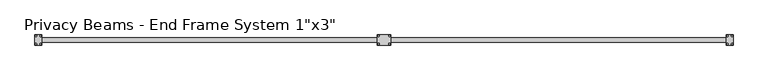
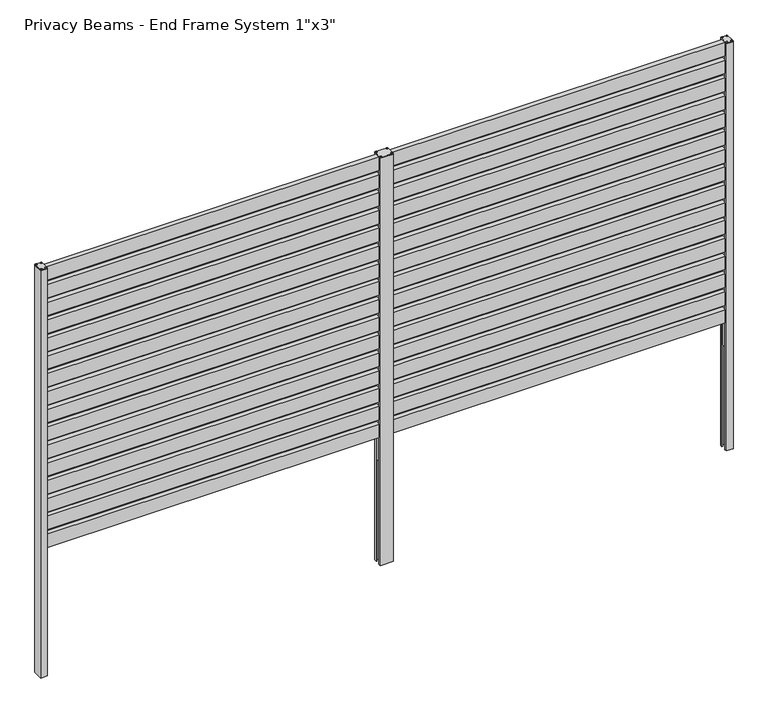
"""IFC4 building model written with IfcOpenShell, lengths in millimetres: railing geometry."""

from ifc_helpers import new_model, si_unit, point, frame, frame_2d, origin, origin_with_axes, place, context, project, spatial, polyline, circle_curve, trimmed, segment, composite_curve, outline, extrude, source, transform, mapped, element, save


def railing_e3af7375(model_context):
    return source(origin(), model_context, "Body", "SweptSolid", [
        extrude(outline(polyline([(4062.9469409, 901.7), (4062.9469409, 927.1), (7777.6969409, 927.1), (7777.6969409, 901.7), (4062.9469409, 901.7)])), frame((0.0, 0.0, 1663.7), z_axis=(0.0, 0.0, 1.0), x_axis=(1.0, 0.0, 0.0)), (0.0, 0.0, 1.0), 76.2),
        extrude(outline(polyline([(4062.9469409, 901.7), (4062.9469409, 927.1), (7777.6969409, 927.1), (7777.6969409, 901.7), (4062.9469409, 901.7)])), frame((0.0, 0.0, 1562.1), z_axis=(0.0, 0.0, 1.0), x_axis=(1.0, 0.0, 0.0)), (0.0, 0.0, 1.0), 76.2),
        extrude(outline(polyline([(4062.9469409, 901.7), (4062.9469409, 927.1), (7777.6969409, 927.1), (7777.6969409, 901.7), (4062.9469409, 901.7)])), frame((0.0, 0.0, 1460.5), z_axis=(0.0, 0.0, 1.0), x_axis=(1.0, 0.0, 0.0)), (0.0, 0.0, 1.0), 76.2),
        extrude(outline(polyline([(4062.9469409, 901.7), (4062.9469409, 927.1), (7777.6969409, 927.1), (7777.6969409, 901.7), (4062.9469409, 901.7)])), frame((0.0, 0.0, 1358.9), z_axis=(0.0, 0.0, 1.0), x_axis=(1.0, 0.0, 0.0)), (0.0, 0.0, 1.0), 76.2),
        extrude(outline(polyline([(4062.9469409, 901.7), (4062.9469409, 927.1), (7777.6969409, 927.1), (7777.6969409, 901.7), (4062.9469409, 901.7)])), frame((0.0, 0.0, 1257.3), z_axis=(0.0, 0.0, 1.0), x_axis=(1.0, 0.0, 0.0)), (0.0, 0.0, 1.0), 76.2),
        extrude(outline(polyline([(4062.9469409, 901.7), (4062.9469409, 927.1), (7777.6969409, 927.1), (7777.6969409, 901.7), (4062.9469409, 901.7)])), frame((0.0, 0.0, 1155.7), z_axis=(0.0, 0.0, 1.0), x_axis=(1.0, 0.0, 0.0)), (0.0, 0.0, 1.0), 76.2),
        extrude(outline(polyline([(4062.9469409, 901.7), (4062.9469409, 927.1), (7777.6969409, 927.1), (7777.6969409, 901.7), (4062.9469409, 901.7)])), frame((0.0, 0.0, 1054.1), z_axis=(0.0, 0.0, 1.0), x_axis=(1.0, 0.0, 0.0)), (0.0, 0.0, 1.0), 76.2),
        extrude(outline(polyline([(4062.9469409, 901.7), (4062.9469409, 927.1), (7777.6969409, 927.1), (7777.6969409, 901.7), (4062.9469409, 901.7)])), frame((0.0, 0.0, 952.5), z_axis=(0.0, 0.0, 1.0), x_axis=(1.0, 0.0, 0.0)), (0.0, 0.0, 1.0), 76.2),
        extrude(outline(polyline([(4062.9469409, 901.7), (4062.9469409, 927.1), (7777.6969409, 927.1), (7777.6969409, 901.7), (4062.9469409, 901.7)])), frame((0.0, 0.0, 850.9), z_axis=(0.0, 0.0, 1.0), x_axis=(1.0, 0.0, 0.0)), (0.0, 0.0, 1.0), 76.2),
        extrude(outline(polyline([(4062.9469409, 901.7), (4062.9469409, 927.1), (7777.6969409, 927.1), (7777.6969409, 901.7), (4062.9469409, 901.7)])), frame((0.0, 0.0, 749.3), z_axis=(0.0, 0.0, 1.0), x_axis=(1.0, 0.0, 0.0)), (0.0, 0.0, 1.0), 76.2),
        extrude(outline(polyline([(4062.9469409, 901.7), (4062.9469409, 927.1), (7777.6969409, 927.1), (7777.6969409, 901.7), (4062.9469409, 901.7)])), frame((0.0, 0.0, 647.7), z_axis=(0.0, 0.0, 1.0), x_axis=(1.0, 0.0, 0.0)), (0.0, 0.0, 1.0), 76.2),
        extrude(outline(polyline([(4062.9469409, 901.7), (4062.9469409, 927.1), (7777.6969409, 927.1), (7777.6969409, 901.7), (4062.9469409, 901.7)])), frame((0.0, 0.0, 546.1), z_axis=(0.0, 0.0, 1.0), x_axis=(1.0, 0.0, 0.0)), (0.0, 0.0, 1.0), 76.2),
        extrude(outline(polyline([(4062.9469409, 901.7), (4062.9469409, 927.1), (7777.6969409, 927.1), (7777.6969409, 901.7), (4062.9469409, 901.7)])), frame((0.0, 0.0, 444.5), z_axis=(0.0, 0.0, 1.0), x_axis=(1.0, 0.0, 0.0)), (0.0, 0.0, 1.0), 76.2),
        extrude(outline(polyline([(4062.9469409, 901.7), (4062.9469409, 927.1), (7777.6969409, 927.1), (7777.6969409, 901.7), (4062.9469409, 901.7)])), frame((0.0, 0.0, 342.9), z_axis=(0.0, 0.0, 1.0), x_axis=(1.0, 0.0, 0.0)), (0.0, 0.0, 1.0), 76.2),
        extrude(outline(polyline([(4062.9469409, 901.7), (4062.9469409, 927.1), (7777.6969409, 927.1), (7777.6969409, 901.7), (4062.9469409, 901.7)])), frame((0.0, 0.0, 241.3), z_axis=(0.0, 0.0, 1.0), x_axis=(1.0, 0.0, 0.0)), (0.0, 0.0, 1.0), 76.2),
        extrude(outline(polyline([(4062.9469409, 901.7), (4062.9469409, 927.1), (7777.6969409, 927.1), (7777.6969409, 901.7), (4062.9469409, 901.7)])), frame((0.0, 0.0, 139.7), z_axis=(0.0, 0.0, 1.0), x_axis=(1.0, 0.0, 0.0)), (0.0, 0.0, 1.0), 76.2),
        extrude(outline(polyline([(5888.9209879, 896.854), (5888.9209879, 931.946), (5918.3854879, 931.946), (5918.3854879, 896.854), (5888.9209879, 896.854)])), origin_with_axes(), (0.0, 0.0, 1.0), 1739.9),
        extrude(outline(polyline([(5951.722894, 896.854), (5922.258394, 896.854), (5922.258394, 931.946), (5951.722894, 931.946), (5951.722894, 896.854)])), origin_with_axes(), (0.0, 0.0, 1.0), 1739.9),
        extrude(outline(polyline([(5885.3967379, 887.4125), (5885.3967379, 900.9126), (5888.5722379, 900.9126), (5888.5722379, 890.5875), (5918.7347379, 890.5875), (5918.7347379, 938.2125), (5888.5722379, 938.2125), (5888.5722379, 927.8874), (5885.3967379, 927.8874), (5885.3967379, 941.3875), (5955.247144, 941.3875), (5955.247144, 927.8874), (5952.071644, 927.8874), (5952.071644, 938.2125), (5921.909144, 938.2125), (5921.909144, 890.5875), (5952.071644, 890.5875), (5952.071644, 900.9126), (5955.247144, 900.9126), (5955.247144, 887.4125), (5885.3967379, 887.4125)])), frame((0.0, 0.0, -579.9666667), z_axis=(0.0, 0.0, 1.0), x_axis=(1.0, 0.0, 0.0)), (0.0, 0.0, 1.0), 2319.8666667),
        extrude(outline(polyline([(5885.3967379, 887.4125), (5885.3967379, 941.3875), (5955.247144, 941.3875), (5955.247144, 887.4125), (5885.3967379, 887.4125)])), frame((0.0, 0.0, 1739.9), z_axis=(0.0, 0.0, 1.0), x_axis=(1.0, 0.0, 0.0)), (0.0, 0.0, 1.0), 4.0792363),
        extrude(outline(composite_curve([segment(trimmed(circle_curve(frame_2d((5890.9849625, 892.556)), 4.2243107), [point((5886.7606518, 892.556))], [point((5895.2092732, 892.556))], False, "CARTESIAN"), True, "CONTINUOUS"), segment(trimmed(circle_curve(frame_2d((5890.9849625, 892.556)), 4.2243107), [point((5895.2092732, 892.556))], [point((5886.7606518, 892.556))], False, "CARTESIAN"), True, "CONTINUOUS")], self_intersect=False)), frame((0.0, 0.0, 1743.9792363), z_axis=(0.0, 0.0, 1.0), x_axis=(1.0, 0.0, 0.0)), (0.0, 0.0, 1.0), 1.6499867),
        extrude(outline(composite_curve([segment(trimmed(circle_curve(frame_2d((5890.9849625, 936.244)), 4.2243107), [point((5886.7606518, 936.244))], [point((5895.2092732, 936.244))], False, "CARTESIAN"), True, "CONTINUOUS"), segment(trimmed(circle_curve(frame_2d((5890.9849625, 936.244)), 4.2243107), [point((5895.2092732, 936.244))], [point((5886.7606518, 936.244))], False, "CARTESIAN"), True, "CONTINUOUS")], self_intersect=False)), frame((0.0, 0.0, 1743.9792363), z_axis=(0.0, 0.0, 1.0), x_axis=(1.0, 0.0, 0.0)), (0.0, 0.0, 1.0), 1.6499867),
        extrude(outline(composite_curve([segment(trimmed(circle_curve(frame_2d((5949.6589194, 892.556)), 4.2243107), [point((5945.4346087, 892.556))], [point((5953.8832301, 892.556))], False, "CARTESIAN"), True, "CONTINUOUS"), segment(trimmed(circle_curve(frame_2d((5949.6589194, 892.556)), 4.2243107), [point((5953.8832301, 892.556))], [point((5945.4346087, 892.556))], False, "CARTESIAN"), True, "CONTINUOUS")], self_intersect=False)), frame((0.0, 0.0, 1743.9792363), z_axis=(0.0, 0.0, 1.0), x_axis=(1.0, 0.0, 0.0)), (0.0, 0.0, 1.0), 1.6499867),
        extrude(outline(composite_curve([segment(trimmed(circle_curve(frame_2d((5949.6589194, 936.244)), 4.2243107), [point((5945.4346087, 936.244))], [point((5953.88323, 936.244))], False, "CARTESIAN"), True, "CONTINUOUS"), segment(trimmed(circle_curve(frame_2d((5949.6589194, 936.244)), 4.2243107), [point((5953.88323, 936.244))], [point((5945.4346087, 936.244))], False, "CARTESIAN"), True, "CONTINUOUS")], self_intersect=False)), frame((0.0, 0.0, 1743.9792363), z_axis=(0.0, 0.0, 1.0), x_axis=(1.0, 0.0, 0.0)), (0.0, 0.0, 1.0), 1.6499867),
        extrude(outline(polyline([(7786.4284409, 887.4125), (7749.9154409, 887.4125), (7749.9154409, 941.3875), (7786.4284409, 941.3875), (7786.4284409, 887.4125)])), frame((0.0, 0.0, 1739.9), z_axis=(0.0, 0.0, 1.0), x_axis=(1.0, 0.0, 0.0)), (0.0, 0.0, 1.0), 4.0792363),
        extrude(outline(polyline([(7753.4396909, 896.854), (7753.4396909, 931.946), (7782.9041909, 931.946), (7782.9041909, 896.854), (7753.4396909, 896.854)])), origin_with_axes(), (0.0, 0.0, 1.0), 1739.9),
        extrude(outline(polyline([(7786.4284409, 887.4125), (7749.9154409, 887.4125), (7749.9154409, 900.9126), (7753.0909409, 900.9126), (7753.0909409, 890.5875), (7783.2534409, 890.5875), (7783.2534409, 938.2125), (7753.0909409, 938.2125), (7753.0909409, 927.8874), (7749.9154409, 927.8874), (7749.9154409, 941.3875), (7786.4284409, 941.3875), (7786.4284409, 887.4125)])), frame((0.0, 0.0, -579.9666667), z_axis=(0.0, 0.0, 1.0), x_axis=(1.0, 0.0, 0.0)), (0.0, 0.0, 1.0), 2319.8666667),
        extrude(outline(composite_curve([segment(trimmed(circle_curve(frame_2d((7780.7579409, 892.556)), 4.2243107), [point((7784.9822516, 892.556))], [point((7776.5336302, 892.556))], False, "CARTESIAN"), True, "CONTINUOUS"), segment(trimmed(circle_curve(frame_2d((7780.7579409, 892.556)), 4.2243107), [point((7776.5336302, 892.556))], [point((7784.9822516, 892.556))], False, "CARTESIAN"), True, "CONTINUOUS")], self_intersect=False)), frame((0.0, 0.0, 1743.9792363), z_axis=(0.0, 0.0, 1.0), x_axis=(1.0, 0.0, 0.0)), (0.0, 0.0, 1.0), 1.6499867),
        extrude(outline(composite_curve([segment(trimmed(circle_curve(frame_2d((7755.5859409, 892.556)), 4.2243107), [point((7759.8102516, 892.556))], [point((7751.3616302, 892.556))], False, "CARTESIAN"), True, "CONTINUOUS"), segment(trimmed(circle_curve(frame_2d((7755.5859409, 892.556)), 4.2243107), [point((7751.3616302, 892.556))], [point((7759.8102516, 892.556))], False, "CARTESIAN"), True, "CONTINUOUS")], self_intersect=False)), frame((0.0, 0.0, 1743.9792363), z_axis=(0.0, 0.0, 1.0), x_axis=(1.0, 0.0, 0.0)), (0.0, 0.0, 1.0), 1.6499867),
        extrude(outline(composite_curve([segment(trimmed(circle_curve(frame_2d((7755.5859409, 936.244)), 4.2243107), [point((7759.8102516, 936.244))], [point((7751.3616302, 936.244))], False, "CARTESIAN"), True, "CONTINUOUS"), segment(trimmed(circle_curve(frame_2d((7755.5859409, 936.244)), 4.2243107), [point((7751.3616302, 936.244))], [point((7759.8102516, 936.244))], False, "CARTESIAN"), True, "CONTINUOUS")], self_intersect=False)), frame((0.0, 0.0, 1743.9792363), z_axis=(0.0, 0.0, 1.0), x_axis=(1.0, 0.0, 0.0)), (0.0, 0.0, 1.0), 1.6499867),
        extrude(outline(composite_curve([segment(trimmed(circle_curve(frame_2d((7780.7579409, 936.244)), 4.2243107), [point((7784.9822516, 936.244))], [point((7776.5336302, 936.244))], False, "CARTESIAN"), True, "CONTINUOUS"), segment(trimmed(circle_curve(frame_2d((7780.7579409, 936.244)), 4.2243107), [point((7776.5336302, 936.244))], [point((7784.9822516, 936.244))], False, "CARTESIAN"), True, "CONTINUOUS")], self_intersect=False)), frame((0.0, 0.0, 1743.9792363), z_axis=(0.0, 0.0, 1.0), x_axis=(1.0, 0.0, 0.0)), (0.0, 0.0, 1.0), 1.6499867),
        extrude(outline(polyline([(4054.2154409, 887.4125), (4054.2154409, 941.3875), (4090.7284409, 941.3875), (4090.7284409, 887.4125), (4054.2154409, 887.4125)])), frame((0.0, 0.0, 1739.9), z_axis=(0.0, 0.0, 1.0), x_axis=(1.0, 0.0, 0.0)), (0.0, 0.0, 1.0), 4.0792363),
        extrude(outline(polyline([(4087.2041909, 896.854), (4057.7396909, 896.854), (4057.7396909, 931.946), (4087.2041909, 931.946), (4087.2041909, 896.854)])), origin_with_axes(), (0.0, 0.0, 1.0), 1739.9),
        extrude(outline(polyline([(4054.2154409, 887.4125), (4054.2154409, 941.3875), (4090.7284409, 941.3875), (4090.7284409, 927.8874), (4087.5529409, 927.8874), (4087.5529409, 938.2125), (4057.3904409, 938.2125), (4057.3904409, 890.5875), (4087.5529409, 890.5875), (4087.5529409, 900.9126), (4090.7284409, 900.9126), (4090.7284409, 887.4125), (4054.2154409, 887.4125)])), frame((0.0, 0.0, -579.9666667), z_axis=(0.0, 0.0, 1.0), x_axis=(1.0, 0.0, 0.0)), (0.0, 0.0, 1.0), 2319.8666667),
        extrude(outline(composite_curve([segment(trimmed(circle_curve(frame_2d((4059.8859409, 892.556)), 4.2243107), [point((4055.6616302, 892.556))], [point((4064.1102516, 892.556))], False, "CARTESIAN"), True, "CONTINUOUS"), segment(trimmed(circle_curve(frame_2d((4059.8859409, 892.556)), 4.2243107), [point((4064.1102516, 892.556))], [point((4055.6616302, 892.556))], False, "CARTESIAN"), True, "CONTINUOUS")], self_intersect=False)), frame((0.0, 0.0, 1743.9792363), z_axis=(0.0, 0.0, 1.0), x_axis=(1.0, 0.0, 0.0)), (0.0, 0.0, 1.0), 1.6499867),
        extrude(outline(composite_curve([segment(trimmed(circle_curve(frame_2d((4085.0579409, 892.556)), 4.2243107), [point((4080.8336302, 892.556))], [point((4089.2822516, 892.556))], False, "CARTESIAN"), True, "CONTINUOUS"), segment(trimmed(circle_curve(frame_2d((4085.0579409, 892.556)), 4.2243107), [point((4089.2822516, 892.556))], [point((4080.8336302, 892.556))], False, "CARTESIAN"), True, "CONTINUOUS")], self_intersect=False)), frame((0.0, 0.0, 1743.9792363), z_axis=(0.0, 0.0, 1.0), x_axis=(1.0, 0.0, 0.0)), (0.0, 0.0, 1.0), 1.6499867),
        extrude(outline(composite_curve([segment(trimmed(circle_curve(frame_2d((4085.0579409, 936.244)), 4.2243107), [point((4080.8336302, 936.244))], [point((4089.2822516, 936.244))], False, "CARTESIAN"), True, "CONTINUOUS"), segment(trimmed(circle_curve(frame_2d((4085.0579409, 936.244)), 4.2243107), [point((4089.2822516, 936.244))], [point((4080.8336302, 936.244))], False, "CARTESIAN"), True, "CONTINUOUS")], self_intersect=False)), frame((0.0, 0.0, 1743.9792363), z_axis=(0.0, 0.0, 1.0), x_axis=(1.0, 0.0, 0.0)), (0.0, 0.0, 1.0), 1.6499867),
        extrude(outline(composite_curve([segment(trimmed(circle_curve(frame_2d((4059.8859409, 936.244)), 4.2243107), [point((4055.6616302, 936.244))], [point((4064.1102516, 936.244))], False, "CARTESIAN"), True, "CONTINUOUS"), segment(trimmed(circle_curve(frame_2d((4059.8859409, 936.244)), 4.2243107), [point((4064.1102516, 936.244))], [point((4055.6616302, 936.244))], False, "CARTESIAN"), True, "CONTINUOUS")], self_intersect=False)), frame((0.0, 0.0, 1743.9792363), z_axis=(0.0, 0.0, 1.0), x_axis=(1.0, 0.0, 0.0)), (0.0, 0.0, 1.0), 1.6499867),
    ])


if __name__ == "__main__":
    model = new_model("IFC4")
    model_context = context("Model", 3, world=origin())
    ifc_project = project(units=[si_unit("LENGTHUNIT", "METRE", prefix="MILLI")], contexts=[model_context])
    site = spatial("IfcSite", under=ifc_project)
    building = spatial("IfcBuilding", under=site)
    placement = place(None, origin())
    railing_shape = railing_e3af7375(model_context)
    element("IfcRailing", 1, ObjectType="Privacy Beams - End Frame System 1\"x3\"", at=placement, inside=building, context=model_context, shape_type="MappedRepresentation", body=[
        mapped(railing_shape, transform((0.0, 0.0, 0.0), x_axis=(1.0, 0.0, 0.0), y_axis=(0.0, 1.0, 0.0), z_axis=(0.0, 0.0, 1.0))),
    ])
    save(model, "model.ifc")
